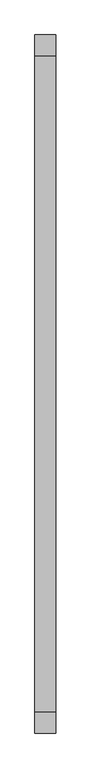
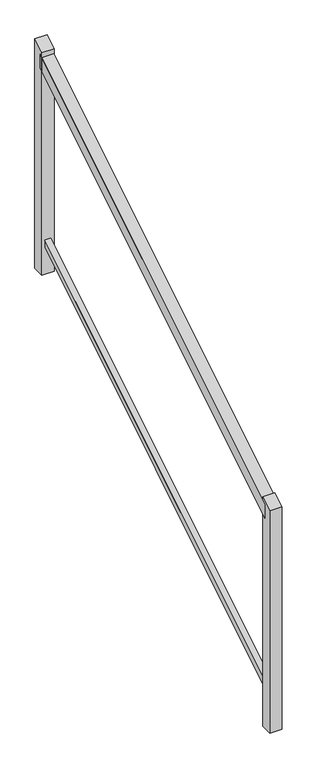
"""IFC4 building model written with IfcOpenShell, lengths in millimetres: railing geometry."""

from ifc_helpers import new_model, si_unit, frame, origin, place, context, project, spatial, polyline, outline, extrude, source, transform, mapped, element, save


def railing_7cf3412e(model_context):
    return source(origin(), model_context, "Body", "SweptSolid", [
        extrude(outline(polyline([(119392.2077715, -2564.5860029), (119392.2077715, -2504.8876813), (121024.2077715, -1497.5192602), (121024.2077715, -1557.2175819), (119392.2077715, -2564.5860029)])), frame((-18285.5858677, 0.0, 0.0), z_axis=(1.0, 0.0, 0.0), x_axis=(0.0, 1.0, 0.0)), (0.0, 0.0, 1.0), 50.8),
        extrude(outline(polyline([(119392.2077715, -3347.2614225), (119392.2077715, -3317.4122617), (121024.2077715, -2310.0438406), (121024.2077715, -2339.8930015), (119392.2077715, -3347.2614225)])), frame((-18272.8858677, 0.0, 0.0), z_axis=(1.0, 0.0, 0.0), x_axis=(0.0, 1.0, 0.0)), (0.0, 0.0, 1.0), 25.4),
        extrude(outline(polyline([(121011.5077715, -1484.3076238), (121062.3077715, -1452.9508127), (121062.3077715, -2469.5292183), (121011.5077715, -2469.5292183), (121011.5077715, -1484.3076238)])), frame((-18285.5858677, 0.0, 0.0), z_axis=(1.0, 0.0, 0.0), x_axis=(0.0, 1.0, 0.0)), (0.0, 0.0, 1.0), 50.8),
        extrude(outline(polyline([(119354.1077715, -2507.3544505), (119404.9077715, -2475.9976393), (119404.9077715, -3492.5760449), (119354.1077715, -3492.5760449), (119354.1077715, -2507.3544505)])), frame((-18285.5858677, 0.0, 0.0), z_axis=(1.0, 0.0, 0.0), x_axis=(0.0, 1.0, 0.0)), (0.0, 0.0, 1.0), 50.8),
    ])


if __name__ == "__main__":
    model = new_model("IFC4")
    model_context = context("Model", 3, world=origin())
    ifc_project = project(units=[si_unit("LENGTHUNIT", "METRE", prefix="MILLI")], contexts=[model_context])
    site = spatial("IfcSite", under=ifc_project)
    building = spatial("IfcBuilding", under=site)
    placement = place(None, origin())
    railing_shape = railing_7cf3412e(model_context)
    element("IfcRailing", 1, at=placement, inside=building, context=model_context, shape_type="MappedRepresentation", body=[
        mapped(railing_shape, transform((0.0, 0.0, 0.0), x_axis=(1.0, 0.0, 0.0), y_axis=(0.0, 1.0, 0.0), z_axis=(0.0, 0.0, 1.0))),
    ])
    save(model, "model.ifc")
